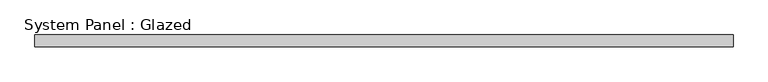
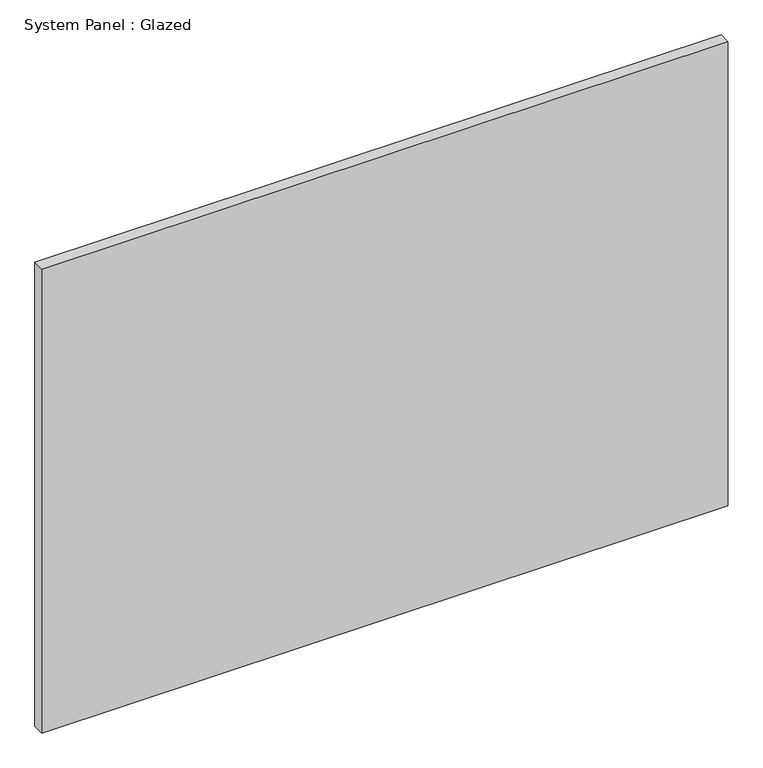
"""IFC4 building model written with IfcOpenShell, lengths in millimetres: plate geometry, System Panel : Glazed."""

import ifcopenshell
import ifcopenshell.guid

model = None  # the IFC model being written
_history = None  # IfcOwnerHistory: only IFC2X3 demands one
_inside = {}  # id of a spatial element -> (the spatial element, [elements in it])
_under = {}  # id of a project, library or spatial element -> (it, [spatial elements below it])
_declared = {}  # id of a project -> (the project, [libraries it declares])
_typed = {}  # id of a type object -> (the type object, [elements of that type])
_made_of = {}  # id of a material, layer set ... -> (it, [elements and type objects made of it])


def new_model(schema):
    """Start an empty IFC model of exactly this schema.

    Asked for "IFC4X3", IfcOpenShell would pick the latest addendum, in which some entities
    have other attributes; the version numbers below select the first issue.
    IFC2X3 requires an IfcOwnerHistory on every rooted entity: one is made here for all.
    """
    global model, _history
    if schema == "IFC4X3":
        model = ifcopenshell.file(schema_version=(4, 3, 0, 0))
    else:
        model = ifcopenshell.file(schema=schema)
    _inside.clear()
    _under.clear()
    _declared.clear()
    _typed.clear()
    _made_of.clear()
    _history = None
    if model.schema == "IFC2X3":
        org = make("IfcOrganization", Name="unknown")
        user = make(
            "IfcPersonAndOrganization",
            ThePerson=make("IfcPerson", FamilyName="unknown"),
            TheOrganization=org,
        )
        app = make(
            "IfcApplication",
            ApplicationDeveloper=org,
            Version="unknown",
            ApplicationFullName="unknown",
            ApplicationIdentifier="unknown",
        )
        _history = make(
            "IfcOwnerHistory",
            OwningUser=user,
            OwningApplication=app,
            ChangeAction="ADDED",
            CreationDate=0,
        )
    return model


def make(cls, **values):
    """One entity of the class cls with the attributes given. An attribute that is None is left unset."""
    return model.create_entity(
        cls, **{name: value for name, value in values.items() if value is not None}
    )


def rooted(cls, **values):
    """An entity with a GlobalId (a new one), such as an element, a storey or a relation."""
    return make(cls, GlobalId=ifcopenshell.guid.new(), OwnerHistory=_history, **values)


def si_unit(unit_type, name, prefix=None):
    """IfcSIUnit, for example si_unit("LENGTHUNIT", "METRE", prefix="MILLI")."""
    return make("IfcSIUnit", UnitType=unit_type, Prefix=prefix, Name=name)


def assignment(units):
    """IfcUnitAssignment: the units of a project."""
    return None if units is None else make("IfcUnitAssignment", Units=units)


def point(xyz):
    """IfcCartesianPoint."""
    return None if xyz is None else make("IfcCartesianPoint", Coordinates=xyz)


def direction(xyz):
    """IfcDirection."""
    return None if xyz is None else make("IfcDirection", DirectionRatios=xyz)


def frame(location, z_axis=None, x_axis=None):
    """IfcAxis2Placement3D, a coordinate frame: its origin and axes. An axis left out is left unset."""
    return make(
        "IfcAxis2Placement3D",
        Location=point(location),
        Axis=direction(z_axis),
        RefDirection=direction(x_axis),
    )


def origin():
    """The frame at (0, 0, 0) with its axes left unset."""
    return frame((0.0, 0.0, 0.0))


def origin_with_axes():
    """The frame at (0, 0, 0) with the z axis (0, 0, 1) and the x axis (1, 0, 0) written out."""
    return frame((0.0, 0.0, 0.0), z_axis=(0.0, 0.0, 1.0), x_axis=(1.0, 0.0, 0.0))


def place(relative_to, where):
    """IfcLocalPlacement: puts the frame where relative to a parent placement (None: the world)."""
    return make(
        "IfcLocalPlacement", PlacementRelTo=relative_to, RelativePlacement=where
    )


def context(
    kind, dimensions, precision=None, world=None, true_north=None, identifier=None
):
    """IfcGeometricRepresentationContext, for example the 3D "Model" context."""
    return make(
        "IfcGeometricRepresentationContext",
        ContextIdentifier=identifier,
        ContextType=kind,
        CoordinateSpaceDimension=dimensions,
        Precision=precision,
        WorldCoordinateSystem=world,
        TrueNorth=true_north,
    )


def project(units=None, contexts=None):
    """IfcProject with its units and contexts."""
    return rooted(
        "IfcProject",
        Name="project",
        RepresentationContexts=contexts,
        UnitsInContext=assignment(units),
    )


def spatial(cls, under=None, at=None, **own):
    """A site, building, storey or space (cls), placed at a placement, below another one or the project."""
    s = rooted(cls, ObjectPlacement=at, **own)
    if under is not None:
        _under.setdefault(under.id(), (under, []))[1].append(s)
    return s


def polyline(points):
    """IfcPolyline through the points."""
    return make("IfcPolyline", Points=[point(p) for p in points])


def outline(outer, holes=None, kind="AREA"):
    """IfcArbitraryClosedProfileDef: a profile drawn as a closed curve; with holes, ...WithVoids."""
    if holes is None:
        return make("IfcArbitraryClosedProfileDef", ProfileType=kind, OuterCurve=outer)
    return make(
        "IfcArbitraryProfileDefWithVoids",
        ProfileType=kind,
        OuterCurve=outer,
        InnerCurves=holes,
    )


def extrude(swept, where, along, depth):
    """IfcExtrudedAreaSolid: the profile swept, set in the frame where, extruded along a direction by depth."""
    return make(
        "IfcExtrudedAreaSolid",
        SweptArea=swept,
        Position=where,
        ExtrudedDirection=direction(along),
        Depth=depth,
    )


def shape(context_of_items, identifier, shape_type, items):
    """IfcShapeRepresentation: the items that make up one representation, for example the "Body"."""
    return make(
        "IfcShapeRepresentation",
        ContextOfItems=context_of_items,
        RepresentationIdentifier=identifier,
        RepresentationType=shape_type,
        Items=items,
    )


def source(mapping_origin, context_of_items, identifier, shape_type, items):
    """IfcRepresentationMap: a shape defined once, which mapped items show again and again."""
    return make(
        "IfcRepresentationMap",
        MappingOrigin=mapping_origin,
        MappedRepresentation=shape(context_of_items, identifier, shape_type, items),
    )


def transform(
    local_origin,
    x_axis=None,
    y_axis=None,
    z_axis=None,
    scale=None,
    scale2=None,
    scale3=None,
    uniform=True,
):
    """IfcCartesianTransformationOperator3D, or its non-uniform kind. x_axis, y_axis, z_axis: its Axis1, 2, 3."""
    if uniform:
        return make(
            "IfcCartesianTransformationOperator3D",
            Axis1=direction(x_axis),
            Axis2=direction(y_axis),
            LocalOrigin=point(local_origin),
            Scale=scale,
            Axis3=direction(z_axis),
        )
    return make(
        "IfcCartesianTransformationOperator3DnonUniform",
        Axis1=direction(x_axis),
        Axis2=direction(y_axis),
        LocalOrigin=point(local_origin),
        Scale=scale,
        Axis3=direction(z_axis),
        Scale2=scale2,
        Scale3=scale3,
    )


def mapped(mapping_source, mapping_target):
    """IfcMappedItem: shows the shape of a source again, moved by a transform."""
    return make(
        "IfcMappedItem", MappingSource=mapping_source, MappingTarget=mapping_target
    )


def made_of(thing, what):
    """Note that an element or type object is made of a material, layer set ...; save() writes the relation."""
    if what is not None:
        _made_of.setdefault(what.id(), (what, []))[1].append(thing)
    return thing


def element(
    cls,
    number,
    at=None,
    inside=None,
    cuts=None,
    type_object=None,
    material=None,
    context=None,
    identifier="Body",
    shape_type=None,
    held_by="IfcProductDefinitionShape",
    body=None,
    shapes=None,
    **own,
):
    """One element of the class cls, such as IfcWall. Its Tag is "e" and its number.

    at: its placement. inside: the storey or other place that contains it. cuts: it is an
    opening in that element (IfcRelVoidsElement). A single representation is given by context,
    identifier, shape_type and body (its items); several are given by shapes. held_by: the class
    of the entity that holds the representations. save() writes the other relations.
    """
    e = rooted(cls, Tag="e%d" % number, ObjectPlacement=at, **own)
    if body is not None:
        shapes = [shape(context, identifier, shape_type, body)]
    if shapes is not None:
        e.Representation = make(held_by, Representations=shapes)
    if inside is not None:
        _inside.setdefault(inside.id(), (inside, []))[1].append(e)
    if cuts is not None:
        rooted(
            "IfcRelVoidsElement", RelatingBuildingElement=cuts, RelatedOpeningElement=e
        )
    if type_object is not None:
        _typed.setdefault(type_object.id(), (type_object, []))[1].append(e)
    return made_of(e, material)


def aggregate(whole, parts):
    """IfcRelAggregates: a whole, such as a stair, and the parts it consists of."""
    return rooted("IfcRelAggregates", RelatingObject=whole, RelatedObjects=parts)


def save(model, path):
    """Write the relations noted so far, then the file.

    IfcRelAggregates (storeys below a building ...), IfcRelContainedInSpatialStructure (elements
    in a storey), IfcRelDefinesByType, IfcRelAssociatesMaterial and IfcRelDeclares: one each for
    every whole, place, type object, material and project.
    """
    for whole, parts in _under.values():
        aggregate(whole, parts)
    for where, things in _inside.values():
        rooted(
            "IfcRelContainedInSpatialStructure",
            RelatedElements=things,
            RelatingStructure=where,
        )
    for kind, things in _typed.values():
        rooted("IfcRelDefinesByType", RelatedObjects=things, RelatingType=kind)
    for what, things in _made_of.values():
        rooted("IfcRelAssociatesMaterial", RelatedObjects=things, RelatingMaterial=what)
    for by, libraries in _declared.values():
        rooted("IfcRelDeclares", RelatingContext=by, RelatedDefinitions=libraries)
    model.write(path)


def system_panel_glazed_6d62d4c0(model_context):
    return source(origin(), model_context, "Body", "SweptSolid", [
        extrude(outline(polyline([(734.9999999, 24.5), (-734.9999999, 24.5), (-734.9999999, 49.5), (734.9999999, 49.5), (734.9999999, 24.5)])), origin_with_axes(), (0.0, 0.0, 1.0), 1050.0),
    ])


if __name__ == "__main__":
    model = new_model("IFC4")
    model_context = context("Model", 3, world=origin())
    ifc_project = project(units=[si_unit("LENGTHUNIT", "METRE", prefix="MILLI")], contexts=[model_context])
    site = spatial("IfcSite", under=ifc_project)
    building = spatial("IfcBuilding", under=site)
    placement = place(None, origin())
    system_panel_glazed_shape = system_panel_glazed_6d62d4c0(model_context)
    element("IfcPlate", 1, ObjectType="System Panel : Glazed", at=placement, inside=building, context=model_context, shape_type="MappedRepresentation", body=[
        mapped(system_panel_glazed_shape, transform((0.0, 0.0, 0.0), x_axis=(1.0, 0.0, 0.0), y_axis=(0.0, 1.0, 0.0), z_axis=(0.0, 0.0, 1.0))),
    ])
    save(model, "model.ifc")
